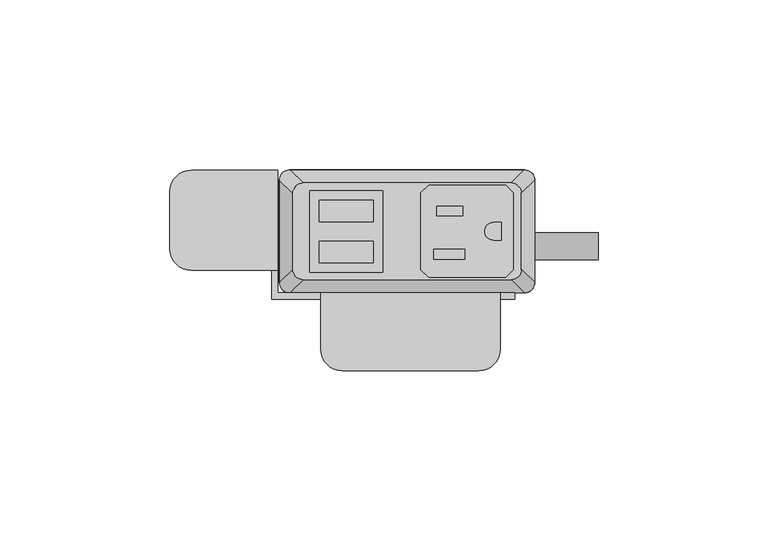
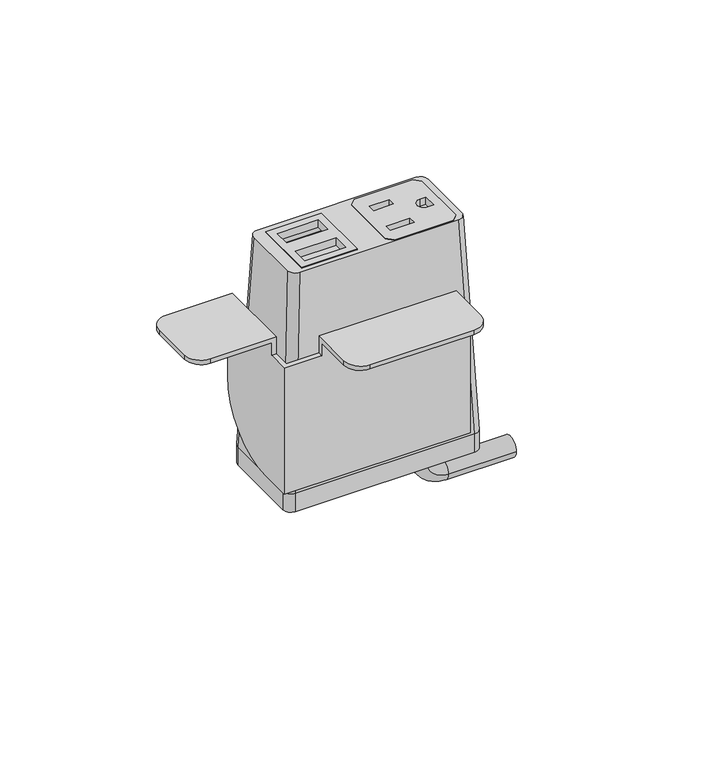
"""IFC4 building model written with IfcOpenShell, lengths in millimetres: furniture geometry."""

from ifc_helpers import new_model, si_unit, point, frame, frame_2d, origin, place, context, project, spatial, polyline, circle_curve, ellipse_curve, trimmed, segment, composite_curve, outline, extrude, source, transform, mapped, element, save
from ifc_brep_helpers import plane_surface, cylinder_surface, revolved_surface, extruded_surface, advanced_brep


def furniture_6d45876a(model_context):
    return source(origin(), model_context, "Body", "SolidModel", [
        extrude(outline(polyline([(28.9877496, 31.6867491), (31.2737497, 29.400774), (31.2737497, 6.7950272), (28.9877496, 4.5090526), (6.3817502, 4.5090526), (4.0957501, 6.7950272), (4.0957501, 29.400774), (6.3817502, 31.6867491), (28.9877496, 31.6867491)]), holes=[polyline([(16.3893498, 25.5262103), (8.71855, 25.5262103), (8.71855, 22.6814439), (16.3893498, 22.6814439), (16.3893498, 25.5262103)]), polyline([(17.0497496, 12.7755533), (7.8041498, 12.7755533), (7.8041498, 9.9307858), (17.0497496, 9.9307858), (17.0497496, 12.7755533)]), composite_curve([segment(polyline([(27.7177508, 20.7140722), (25.4427305, 20.7140722)]), True, "CONTINUOUS"), segment(trimmed(circle_curve(frame_2d((25.4427305, 18.0979012)), 2.616171), [point((25.4427305, 20.7140722))], [point((25.4427305, 15.4817301))], True, "CARTESIAN"), True, "CONTINUOUS"), segment(polyline([(25.4427305, 15.4817301), (27.7177508, 15.4817301), (27.7177508, 20.7140722)]), True, "CONTINUOUS")], self_intersect=False)]), frame((0.0, 0.0, 746.3747365), z_axis=(0.0, 0.0, 1.0), x_axis=(1.0, 0.0, 0.0)), (0.0, 0.0, 1.0), 2.9555086),
        extrude(outline(polyline([(-28.6985163, 30.0736276), (-7.143469, 30.0736276), (-7.143469, 6.0162042), (-28.6985163, 6.0162042), (-28.6985163, 30.0736276)]), holes=[polyline([(-9.9834931, 27.2024139), (-25.8584916, 27.2025547), (-25.8584916, 20.8524858), (-9.9834931, 20.8524858), (-9.9834931, 27.2024139)]), polyline([(-9.9834931, 15.1725012), (-25.8584916, 15.1726408), (-25.8584916, 8.8225725), (-9.9834931, 8.8225725), (-9.9834931, 15.1725012)])]), frame((0.0, 0.0, 746.3747365), z_axis=(0.0, 0.0, 1.0), x_axis=(1.0, 0.0, 0.0)), (0.0, 0.0, 1.0), 2.9555086),
        advanced_brep(
        [(-30.6070003, 32.3219007, 749.3170623), (-33.6549997, 29.2739013, 749.3170623), (-33.6549997, 6.9219002, 749.3170623), (-30.6070003, 3.8739008, 749.3170623), (30.6070003, 3.8739008, 749.3170623), (33.6549997, 6.9219002, 749.3170623), (33.6549997, 29.2739013, 749.3170623), (30.6070003, 32.3219007, 749.3170623), (-7.143469, 30.0736276, 749.3170623), (-7.143469, 6.0162042, 749.3170623), (-28.6985163, 6.0162042, 749.3170623), (-28.6985163, 30.0736276, 749.3170623), (4.0957501, 29.400774, 749.3170623), (6.3817502, 31.6867491, 749.3170623), (28.9877496, 31.6867491, 749.3170623), (31.2737497, 29.400774, 749.3170623), (31.2737497, 6.7950272, 749.3170623), (28.9877496, 4.5090526, 749.3170623), (6.3817502, 4.5090526, 749.3170623), (4.0957501, 6.7950272, 749.3170623), (-34.5440011, 36.1954015, 662.9702434), (34.5440011, 36.1954015, 662.9702434), (37.5920005, 33.1474021, 662.9702434), (37.5920005, 3.0484002, 662.9702434), (34.5440011, 0.0004009, 662.9702434), (-34.5440011, 0.0004009, 662.9702434), (-37.5920005, 3.0484002, 662.9702434), (-37.5920005, 33.1474021, 662.9702434), (-7.143469, 30.0736276, 742.1751211), (-28.6985163, 30.0736276, 742.1751211), (-28.6985163, 6.0162042, 742.1751211), (-7.143469, 6.0162042, 742.1751211), (4.0957501, 29.400774, 742.1751211), (4.0957501, 6.7950272, 742.1751211), (6.3817502, 4.5090526, 742.1751211), (28.9877496, 4.5090526, 742.1751211), (31.2737497, 6.7950272, 742.1751211), (31.2737497, 29.400774, 742.1751211), (28.9877496, 31.6867491, 742.1751211), (6.3817502, 31.6867491, 742.1751211)],
        [
            (0, 1, circle_curve(frame((-30.6070003, 29.2739013, 749.3170623), z_axis=(0.0, 0.0, 1.0), x_axis=(-1.0, 0.0, 0.0)), 3.0479994)),
            (1, 2),
            (2, 3, circle_curve(frame((-30.6070003, 6.9219002, 749.3170623), z_axis=(0.0, 0.0, 1.0), x_axis=(-1.0, 0.0, 0.0)), 3.0479994)),
            (3, 4),
            (4, 5, circle_curve(frame((30.6070003, 6.9219002, 749.3170623), z_axis=(0.0, 0.0, 1.0), x_axis=(-1.0, 0.0, 0.0)), 3.0479994)),
            (5, 6),
            (6, 7, circle_curve(frame((30.6070003, 29.2739013, 749.3170623), z_axis=(0.0, 0.0, 1.0), x_axis=(-1.0, 0.0, 0.0)), 3.0479994)),
            (7, 0),
            (8, 9),
            (9, 10),
            (10, 11),
            (11, 8),
            (12, 13),
            (13, 14),
            (14, 15),
            (15, 16),
            (16, 17),
            (17, 18),
            (18, 19),
            (19, 12),
            (20, 21),
            (21, 22, circle_curve(frame((34.5440011, 33.1474021, 662.9702434), z_axis=(0.0, 0.0, -1.0), x_axis=(-1.0, 0.0, 0.0)), 3.0479994)),
            (22, 23),
            (23, 24, circle_curve(frame((34.5440011, 3.0484002, 662.9702434), z_axis=(0.0, 0.0, -1.0), x_axis=(-1.0, 0.0, 0.0)), 3.0479994)),
            (24, 25),
            (25, 26, circle_curve(frame((-34.5440011, 3.0484002, 662.9702434), z_axis=(0.0, 0.0, -1.0), x_axis=(-1.0, 0.0, 0.0)), 3.0479994)),
            (26, 27),
            (27, 20, circle_curve(frame((-34.5440011, 33.1474021, 662.9702434), z_axis=(0.0, 0.0, -1.0), x_axis=(-1.0, 0.0, 0.0)), 3.0479994)),
            (0, 20),
            (27, 1),
            (26, 2),
            (25, 3),
            (24, 4),
            (23, 5),
            (22, 6),
            (21, 7),
            (28, 29),
            (29, 30),
            (30, 31),
            (31, 28),
            (32, 33),
            (33, 34),
            (34, 35),
            (35, 36),
            (36, 37),
            (37, 38),
            (38, 39),
            (39, 32),
            (31, 9),
            (8, 28),
            (30, 10),
            (29, 11),
            (39, 13),
            (12, 32),
            (38, 14),
            (37, 15),
            (36, 16),
            (35, 17),
            (34, 18),
            (33, 19),
        ],
        [
            plane_surface(frame((0.0, 18.0979007, 749.3170623), z_axis=(0.0, 0.0, 1.0), x_axis=(-1.0, 0.0, 0.0))),
            plane_surface(frame((0.0, 18.0979012, 662.9702434), z_axis=(0.0, 0.0, -1.0), x_axis=(-1.0, 0.0, 0.0))),
            extruded_surface(trimmed(circle_curve(frame((-34.5440011, 33.1474021, 662.9702434), z_axis=(0.0, 0.0, 1.0), x_axis=(-1.0, 0.0, 0.0)), 3.0479994), [point((-34.5440011, 36.1954015, 662.9702434))], [point((-37.5920005, 33.1474021, 662.9702434))], True, "CARTESIAN"), (3.9370008000000034, -3.873500800000002, 86.34681890000002), 86.52327500676452),
            plane_surface(frame((-37.5920005, 18.0979012, 662.9702434), z_axis=(-0.9989621566211194, 0.0, 0.04554788292425982), x_axis=(0.0, -1.0, 0.0))),
            extruded_surface(trimmed(circle_curve(frame((-34.5440011, 3.0484002, 662.9702434), z_axis=(0.0, 0.0, 1.0), x_axis=(-1.0, 0.0, 0.0)), 3.0479994), [point((-37.5920005, 3.0484002, 662.9702434))], [point((-34.5440011, 0.0004009, 662.9702434))], True, "CARTESIAN"), (3.9370008000000034, 3.8734999999999995, 86.34681890000002), 86.52327497094987),
            plane_surface(frame((0.0, 0.0004009, 662.9702434), z_axis=(0.0, -0.9989953158490498, 0.044814717578687276), x_axis=(1.0, 0.0, 0.0))),
            extruded_surface(trimmed(circle_curve(frame((34.5440011, 3.0484002, 662.9702434), z_axis=(0.0, 0.0, 1.0), x_axis=(-1.0, 0.0, 0.0)), 3.0479994), [point((34.5440011, 0.0004009, 662.9702434))], [point((37.5920005, 3.0484002, 662.9702434))], True, "CARTESIAN"), (-3.9370008000000034, 3.8734999999999995, 86.34681890000002), 86.52327497094987),
            plane_surface(frame((37.5920005, 18.0979012, 662.9702434), z_axis=(0.9989621566211194, 0.0, 0.04554788292425977), x_axis=(0.0, 1.0, 0.0))),
            extruded_surface(trimmed(circle_curve(frame((34.5440011, 33.1474021, 662.9702434), z_axis=(0.0, 0.0, 1.0), x_axis=(-1.0, 0.0, 0.0)), 3.0479994), [point((37.5920005, 33.1474021, 662.9702434))], [point((34.5440011, 36.1954015, 662.9702434))], True, "CARTESIAN"), (-3.9370008000000034, -3.873500800000002, 86.34681890000002), 86.52327500676452),
            plane_surface(frame((0.0, 36.1954015, 662.9702434), z_axis=(0.0, 0.9989953153818162, 0.04481472799410512), x_axis=(-1.0, 0.0, 0.0))),
            plane_surface(frame((-7.143469, 30.0736276, 742.1751211), z_axis=(0.0, 0.0, 1.0), x_axis=(0.0, -1.0, 0.0))),
            plane_surface(frame((-7.143469, 30.0736276, 742.1751211), z_axis=(-1.0, 0.0, 0.0), x_axis=(0.0, 0.0, 1.0))),
            plane_surface(frame((-7.143469, 6.0162042, 742.1751211), z_axis=(0.0, 1.0, 0.0), x_axis=(0.0, 0.0, 1.0))),
            plane_surface(frame((-28.6985163, 6.0162042, 742.1751211), z_axis=(1.0, 0.0, 0.0), x_axis=(0.0, 0.0, 1.0))),
            plane_surface(frame((-28.6985163, 30.0736276, 742.1751211), z_axis=(0.0, -1.0, 0.0), x_axis=(0.0, 0.0, 1.0))),
            plane_surface(frame((4.0957501, 29.400774, 742.1751211), z_axis=(0.7071029176939239, -0.707110644658062, 0.0), x_axis=(0.0, 0.0, 1.0))),
            plane_surface(frame((6.3817502, 31.6867491, 742.1751211), z_axis=(0.0, -1.0, 0.0), x_axis=(0.0, 0.0, 1.0))),
            plane_surface(frame((28.9877496, 31.6867491, 742.1751211), z_axis=(-0.7071029176939239, -0.707110644658062, 0.0), x_axis=(0.0, 0.0, 1.0))),
            plane_surface(frame((31.2737497, 29.400774, 742.1751211), z_axis=(-1.0, 0.0, 0.0), x_axis=(0.0, 0.0, 1.0))),
            plane_surface(frame((31.2737497, 6.7950272, 742.1751211), z_axis=(-0.7071028298865373, 0.7071107324644781, 0.0), x_axis=(0.0, 0.0, 1.0))),
            plane_surface(frame((28.9877496, 4.5090526, 742.1751211), z_axis=(0.0, 1.0, 0.0), x_axis=(0.0, 0.0, 1.0))),
            plane_surface(frame((6.3817502, 4.5090526, 742.1751211), z_axis=(0.7071028298865373, 0.7071107324644781, 0.0), x_axis=(0.0, 0.0, 1.0))),
            plane_surface(frame((4.0957501, 6.7950272, 742.1751211), z_axis=(1.0, 0.0, 0.0), x_axis=(0.0, 0.0, 1.0))),
        ],
        [
            (0, [[1, 2, 3, 4, 5, 6, 7, 8], [9, 10, 11, 12], [13, 14, 15, 16, 17, 18, 19, 20]]),
            (1, [[21, 22, 23, 24, 25, 26, 27, 28]]),
            (2, [[-1, 29, -28, 30]]),
            (3, [[-2, -30, -27, 31]]),
            (4, [[-3, -31, -26, 32]]),
            (5, [[-4, -32, -25, 33]]),
            (6, [[-5, -33, -24, 34]]),
            (7, [[-6, -34, -23, 35]]),
            (8, [[-7, -35, -22, 36]]),
            (9, [[-8, -36, -21, -29]]),
            (10, [[37, 38, 39, 40]]),
            (10, [[41, 42, 43, 44, 45, 46, 47, 48]]),
            (11, [[-40, 49, -9, 50]]),
            (12, [[-39, 51, -10, -49]]),
            (13, [[-38, 52, -11, -51]]),
            (14, [[-37, -50, -12, -52]]),
            (15, [[-48, 53, -13, 54]]),
            (16, [[-47, 55, -14, -53]]),
            (17, [[-46, 56, -15, -55]]),
            (18, [[-45, 57, -16, -56]]),
            (19, [[-44, 58, -17, -57]]),
            (20, [[-43, 59, -18, -58]]),
            (21, [[-42, 60, -19, -59]]),
            (22, [[-41, -54, -20, -60]]),
        ],
    ),
        advanced_brep(
        [(21.5715504, 17.7128311, 655.4960348), (21.5715504, 9.7137856, 655.4960348), (21.5715504, 17.7128311, 650.6662821), (21.5715504, 9.7137856, 650.6662821), (30.0384415, 9.7137856, 642.199391), (30.0384415, 17.7128311, 642.199391), (56.2588798, 17.7128311, 642.199391), (56.2588798, 9.7137856, 642.199391)],
        [
            (0, 1, circle_curve(frame((21.5715504, 13.7133083, 655.4960348), z_axis=(0.0, 0.0, 1.0), x_axis=(0.0, -1.0, 0.0)), 3.9995228)),
            (1, 0, circle_curve(frame((21.5715504, 13.7133083, 655.4960348), z_axis=(0.0, 0.0, 1.0), x_axis=(0.0, -1.0, 0.0)), 3.9995228)),
            (0, 2),
            (2, 3, circle_curve(frame((21.5715504, 13.7133083, 650.6662821), z_axis=(0.0, 0.0, 1.0), x_axis=(0.0, -1.0, 0.0)), 3.9995228)),
            (3, 1),
            (3, 2, circle_curve(frame((21.5715504, 13.7133083, 650.6662821), z_axis=(0.0, 0.0, 1.0), x_axis=(0.0, -1.0, 0.0)), 3.9995228)),
            (4, 3, circle_curve(frame((30.0384415, 9.7137856, 650.6662821), z_axis=(0.0, 1.0, 0.0), x_axis=(-1.0, 0.0, 0.0)), 8.4668911)),
            (2, 5, circle_curve(frame((30.0384415, 17.7128311, 650.6662821), z_axis=(0.0, -1.0, 0.0), x_axis=(-1.0, 0.0, 0.0)), 8.4668911)),
            (5, 4, circle_curve(frame((30.0384415, 13.7133083, 642.199391), z_axis=(-1.0, 0.0, 0.0), x_axis=(0.0, -1.0, 0.0)), 3.9995228)),
            (4, 5, circle_curve(frame((30.0384415, 13.7133083, 642.199391), z_axis=(-1.0, 0.0, 0.0), x_axis=(0.0, -1.0, 0.0)), 3.9995228)),
            (6, 7, circle_curve(frame((56.2588798, 13.7133083, 642.199391), z_axis=(1.0, 0.0, 0.0), x_axis=(0.0, -1.0, 0.0)), 3.9995228)),
            (7, 6, circle_curve(frame((56.2588798, 13.7133083, 642.199391), z_axis=(1.0, 0.0, 0.0), x_axis=(0.0, -1.0, 0.0)), 3.9995228)),
            (5, 6),
            (7, 4),
        ],
        [
            plane_surface(frame((21.5715504, 0.0, 655.4960348), z_axis=(0.0, 0.0, 1.0), x_axis=(0.0, -1.0, 0.0))),
            cylinder_surface(frame((21.5715504, 13.7133083, 655.4960348), z_axis=(0.0, 0.0, 1.0), x_axis=(0.0, -1.0, 0.0)), 3.9995228),
            revolved_surface(trimmed(ellipse_curve(frame((21.5715504, 13.7133083, 650.6662821), z_axis=(0.0, 0.0, 1.0), x_axis=(0.0, -1.0, 0.0)), 3.9995228, 3.9995228), [point((21.5715504, 17.7128311, 650.6662821))], [point((21.5715504, 9.7137856, 650.6662821))], True, "CARTESIAN"), (30.0384415, 0.0, 650.6662821), (0.0, -1.0, 0.0)),
            revolved_surface(trimmed(ellipse_curve(frame((21.5715504, 13.7133083, 650.6662821), z_axis=(0.0, 0.0, 1.0), x_axis=(0.0, -1.0, 0.0)), 3.9995228, 3.9995228), [point((21.5715504, 9.7137856, 650.6662821))], [point((21.5715504, 17.7128311, 650.6662821))], True, "CARTESIAN"), (30.0384415, 0.0, 650.6662821), (0.0, -1.0, 0.0)),
            plane_surface(frame((56.2588798, 0.0, 642.199391), z_axis=(1.0, 0.0, 0.0), x_axis=(0.0, -1.0, 0.0))),
            cylinder_surface(frame((30.0384415, 13.7133083, 642.199391), z_axis=(-1.0, 0.0, 0.0), x_axis=(0.0, -1.0, 0.0)), 3.9995228),
        ],
        [
            (0, [[1, 2]]),
            (1, [[-1, 3, 4, 5]]),
            (1, [[-2, -5, 6, -3]]),
            (2, [[7, -4, 8, 9]]),
            (3, [[-8, -6, -7, 10]]),
            (4, [[11, 12]]),
            (5, [[-9, 13, -12, 14]]),
            (5, [[-10, -14, -11, -13]]),
        ],
    ),
        extrude(outline(composite_curve([segment(trimmed(circle_curve(frame_2d((34.5440011, 33.1474021)), 3.0479994), [point((34.5440011, 36.1954015))], [point((37.5920005, 33.1474021))], False, "CARTESIAN"), True, "CONTINUOUS"), segment(polyline([(37.5920005, 33.1474021), (37.5920005, 3.0484002)]), True, "CONTINUOUS"), segment(trimmed(circle_curve(frame_2d((34.5440011, 3.0484002)), 3.0479994), [point((37.5920005, 3.0484002))], [point((34.5440011, 0.0004009))], False, "CARTESIAN"), True, "CONTINUOUS"), segment(polyline([(34.5440011, 0.0004009), (-34.5440011, 0.0004009)]), True, "CONTINUOUS"), segment(trimmed(circle_curve(frame_2d((-34.5440011, 3.0484002)), 3.0479994), [point((-34.5440011, 0.0004009))], [point((-37.5920005, 3.0484002))], False, "CARTESIAN"), True, "CONTINUOUS"), segment(polyline([(-37.5920005, 3.0484002), (-37.5920005, 33.1474021)]), True, "CONTINUOUS"), segment(trimmed(circle_curve(frame_2d((-34.5440011, 33.1474021)), 3.0479994), [point((-37.5920005, 33.1474021))], [point((-34.5440011, 36.1954015))], False, "CARTESIAN"), True, "CONTINUOUS"), segment(polyline([(-34.5440011, 36.1954015), (34.5440011, 36.1954015)]), True, "CONTINUOUS")], self_intersect=False)), frame((0.0, 0.0, 655.4960348), z_axis=(0.0, 0.0, 1.0), x_axis=(1.0, 0.0, 0.0)), (0.0, 0.0, 1.0), 7.4742086),
        advanced_brep(
        [(-63.4998651, 6.6265515, 722.122), (-69.8498653, 12.9765517, 722.122), (-69.8498653, 29.7151512, 722.122), (-63.4998645, 36.0651519, 722.122), (-39.877862, 36.0651519, 722.122), (-39.877862, 6.6265515, 722.122), (27.4321373, -16.6144474, 722.122), (21.0821366, -22.9644481, 722.122), (-19.0498626, -22.9644481, 722.122), (-25.3998622, -16.6144485, 722.122), (-25.3998622, -1.9078486, 722.122), (27.4321373, -1.9078486, 722.122), (-63.4998645, 36.0651519, 723.9), (-69.8498653, 29.7151512, 723.9), (-69.8498653, 12.9765517, 723.9), (-63.4998651, 6.6265515, 723.9), (-38.0998637, 6.6265515, 723.9), (-38.0998637, 36.0651519, 723.9), (-25.3998622, 0.0, 723.9), (-25.3998622, -16.6144485, 723.9), (-19.0498626, -22.9644481, 723.9), (21.0821366, -22.9644481, 723.9), (27.4321373, -16.6144474, 723.9), (27.4321373, 0.0, 723.9), (-38.0998637, 36.0651519, 690.8799997), (-39.877862, 36.0651519, 690.8799997), (-39.877862, 6.6265515, 717.0419997), (-38.0998637, 6.6265515, 717.0419997), (-38.0998637, 0.0, 717.0419997), (-38.0998637, 0.0, 665.4800012), (-38.0998637, 10.6651534, 665.4800012), (27.4321373, -1.9078486, 717.0419997), (27.4321373, 0.0, 717.0419997), (31.7501378, 0.0, 717.0419997), (31.7501378, 0.0, 665.4800012), (-25.3998622, 0.0, 717.0419997), (-25.3998622, -1.9078486, 717.0419997), (-39.877862, 10.6651534, 665.4800012), (-39.877862, -1.9078486, 665.4800012), (-39.877862, -1.9078486, 717.0419997), (31.7501378, -1.9078486, 665.4800012), (31.7501378, -1.9078486, 717.0419997)],
        [
            (0, 1, circle_curve(frame((-63.4998651, 12.9765517, 722.122), z_axis=(0.0, 0.0, -1.0), x_axis=(-1.0, 0.0, 0.0)), 6.3500002)),
            (1, 2),
            (2, 3, circle_curve(frame((-63.4998645, 29.7151512, 722.122), z_axis=(0.0, 0.0, -1.0), x_axis=(-1.0, 0.0, 0.0)), 6.3500008)),
            (3, 4),
            (4, 5),
            (5, 0),
            (6, 7, circle_curve(frame((21.0821366, -16.6144474, 722.122), z_axis=(0.0, 0.0, -1.0), x_axis=(-1.0, 0.0, 0.0)), 6.3500008)),
            (7, 8),
            (8, 9, circle_curve(frame((-19.0498626, -16.6144485, 722.122), z_axis=(0.0, 0.0, -1.0), x_axis=(-1.0, 0.0, 0.0)), 6.3499996)),
            (9, 10),
            (10, 11),
            (11, 6),
            (12, 13, circle_curve(frame((-63.4998645, 29.7151512, 723.9), z_axis=(0.0, 0.0, 1.0), x_axis=(-1.0, 0.0, 0.0)), 6.3500008)),
            (13, 14),
            (14, 15, circle_curve(frame((-63.4998651, 12.9765517, 723.9), z_axis=(0.0, 0.0, 1.0), x_axis=(-1.0, 0.0, 0.0)), 6.3500002)),
            (15, 16),
            (16, 17),
            (17, 12),
            (18, 19),
            (19, 20, circle_curve(frame((-19.0498626, -16.6144485, 723.9), z_axis=(0.0, 0.0, 1.0), x_axis=(-1.0, 0.0, 0.0)), 6.3499996)),
            (20, 21),
            (21, 22, circle_curve(frame((21.0821366, -16.6144474, 723.9), z_axis=(0.0, 0.0, 1.0), x_axis=(-1.0, 0.0, 0.0)), 6.3500008)),
            (22, 23),
            (23, 18),
            (3, 12),
            (17, 24),
            (24, 25),
            (25, 4),
            (2, 13),
            (1, 14),
            (0, 15),
            (5, 26),
            (26, 27),
            (27, 16),
            (27, 28),
            (28, 29),
            (29, 30),
            (30, 24, circle_curve(frame((-38.0998637, 10.6651534, 690.8799997), z_axis=(1.0, 0.0, 0.0), x_axis=(0.0, -1.0, 0.0)), 25.3999985)),
            (8, 20),
            (19, 9),
            (7, 21),
            (6, 22),
            (11, 31),
            (31, 32),
            (32, 23),
            (32, 33),
            (33, 34),
            (34, 29),
            (28, 35),
            (35, 18),
            (35, 36),
            (36, 10),
            (25, 37, circle_curve(frame((-39.877862, 10.6651534, 690.8799997), z_axis=(-1.0, 0.0, 0.0), x_axis=(0.0, -1.0, 0.0)), 25.3999985)),
            (37, 38),
            (38, 39),
            (39, 26),
            (30, 37),
            (34, 40),
            (40, 38),
            (40, 41),
            (41, 31),
            (36, 39),
            (41, 33),
        ],
        [
            plane_surface(frame((-63.4998645, 36.0651519, 722.122), z_axis=(0.0, 0.0, -1.0), x_axis=(1.0, 0.0, 0.0))),
            plane_surface(frame((-63.4998645, 36.0651519, 723.9), z_axis=(0.0, 0.0, 1.0), x_axis=(-1.0, 0.0, 0.0))),
            plane_surface(frame((-38.0998637, 36.0651519, 723.9), z_axis=(0.0, 1.0, 0.0), x_axis=(0.0, 0.0, -1.0))),
            cylinder_surface(frame((-63.4998645, 29.7151512, 722.122), z_axis=(0.0, 0.0, 1.0), x_axis=(-1.0, 0.0, 0.0)), 6.3500008),
            plane_surface(frame((-69.8498653, 29.7151512, 723.9), z_axis=(-1.0, 0.0, 0.0), x_axis=(0.0, 0.0, -1.0))),
            cylinder_surface(frame((-63.4998651, 12.9765517, 722.122), z_axis=(0.0, 0.0, 1.0), x_axis=(-1.0, 0.0, 0.0)), 6.3500002),
            plane_surface(frame((-63.4998651, 6.6265515, 723.9), z_axis=(0.0, -1.0, 0.0), x_axis=(0.0, 0.0, -1.0))),
            plane_surface(frame((-38.0998637, 6.6265515, 723.9), z_axis=(1.0, 0.0, 0.0), x_axis=(0.0, 0.0, -1.0))),
            cylinder_surface(frame((-19.0498626, -16.6144485, 723.9), z_axis=(0.0, 0.0, 1.0), x_axis=(-1.0, 0.0, 0.0)), 6.3499996),
            plane_surface(frame((-19.0498626, -22.9644481, 723.9), z_axis=(0.0, -1.0, 0.0), x_axis=(0.0, 0.0, -1.0))),
            cylinder_surface(frame((21.0821366, -16.6144474, 723.9), z_axis=(0.0, 0.0, 1.0), x_axis=(-1.0, 0.0, 0.0)), 6.3500008),
            plane_surface(frame((27.4321373, -16.6144474, 723.9), z_axis=(1.0, 0.0, 0.0), x_axis=(0.0, 0.0, -1.0))),
            plane_surface(frame((27.4321373, 0.0, 723.9), z_axis=(0.0, 1.0, 0.0), x_axis=(0.0, 0.0, -1.0))),
            plane_surface(frame((-25.3998622, 0.0, 723.9), z_axis=(-1.0, 0.0, 0.0), x_axis=(0.0, 0.0, -1.0))),
            plane_surface(frame((-39.877862, 36.0651519, 690.8799997), z_axis=(-1.0, 0.0, 0.0), x_axis=(0.0, 0.0, -1.0))),
            cylinder_surface(frame((-38.0998637, 10.6651534, 690.8799997), z_axis=(-1.0, 0.0, 0.0), x_axis=(0.0, -1.0, 0.0)), 25.3999985),
            plane_surface(frame((-39.877862, 10.6651534, 665.4800012), z_axis=(0.0, 0.0, -1.0), x_axis=(1.0, 0.0, 0.0))),
            plane_surface(frame((-39.877862, -1.9078486, 665.4800012), z_axis=(0.0, -1.0, 0.0), x_axis=(1.0, 0.0, 0.0))),
            plane_surface(frame((-39.877862, -1.9078486, 717.0419997), z_axis=(0.0, 0.0, 1.0), x_axis=(1.0, 0.0, 0.0))),
            plane_surface(frame((31.7501378, -1.9078486, 717.0419997), z_axis=(0.0, 0.0, 1.0), x_axis=(0.0, 1.0, 0.0))),
            plane_surface(frame((31.7501378, -1.9078486, 665.4800012), z_axis=(1.0, 0.0, 0.0), x_axis=(0.0, 1.0, 0.0))),
        ],
        [
            (0, [[1, 2, 3, 4, 5, 6]]),
            (0, [[7, 8, 9, 10, 11, 12]]),
            (1, [[13, 14, 15, 16, 17, 18]]),
            (1, [[19, 20, 21, 22, 23, 24]]),
            (2, [[25, -18, 26, 27, 28, -4]]),
            (3, [[-3, 29, -13, -25]]),
            (4, [[-2, 30, -14, -29]]),
            (5, [[-1, 31, -15, -30]]),
            (6, [[-31, -6, 32, 33, 34, -16]]),
            (7, [[-17, -34, 35, 36, 37, 38, -26]]),
            (8, [[-9, 39, -20, 40]]),
            (9, [[-8, 41, -21, -39]]),
            (10, [[-7, 42, -22, -41]]),
            (11, [[-42, -12, 43, 44, 45, -23]]),
            (12, [[-24, -45, 46, 47, 48, -36, 49, 50]]),
            (13, [[-40, -19, -50, 51, 52, -10]]),
            (14, [[53, 54, 55, 56, -32, -5, -28]]),
            (15, [[-53, -27, -38, 57]]),
            (16, [[-57, -37, -48, 58, 59, -54]]),
            (17, [[-55, -59, 60, 61, -43, -11, -52, 62]]),
            (18, [[-62, -51, -49, -35, -33, -56]]),
            (19, [[-61, 63, -46, -44]]),
            (20, [[-60, -58, -47, -63]]),
        ],
    ),
    ])


if __name__ == "__main__":
    model = new_model("IFC4")
    model_context = context("Model", 3, world=origin())
    ifc_project = project(units=[si_unit("LENGTHUNIT", "METRE", prefix="MILLI")], contexts=[model_context])
    site = spatial("IfcSite", under=ifc_project)
    building = spatial("IfcBuilding", under=site)
    placement = place(None, origin())
    furniture_shape = furniture_6d45876a(model_context)
    element("IfcFurniture", 1, at=placement, inside=building, context=model_context, shape_type="MappedRepresentation", body=[
        mapped(furniture_shape, transform((0.0, 0.0, 0.0), x_axis=(1.0, 0.0, 0.0), y_axis=(0.0, 1.0, 0.0), z_axis=(0.0, 0.0, 1.0))),
    ])
    save(model, "model.ifc")
